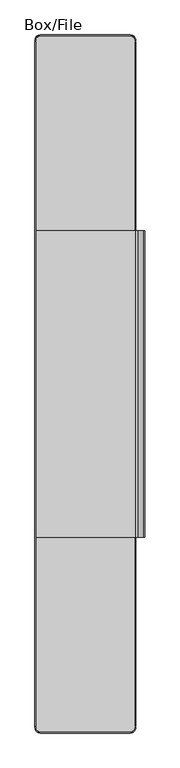
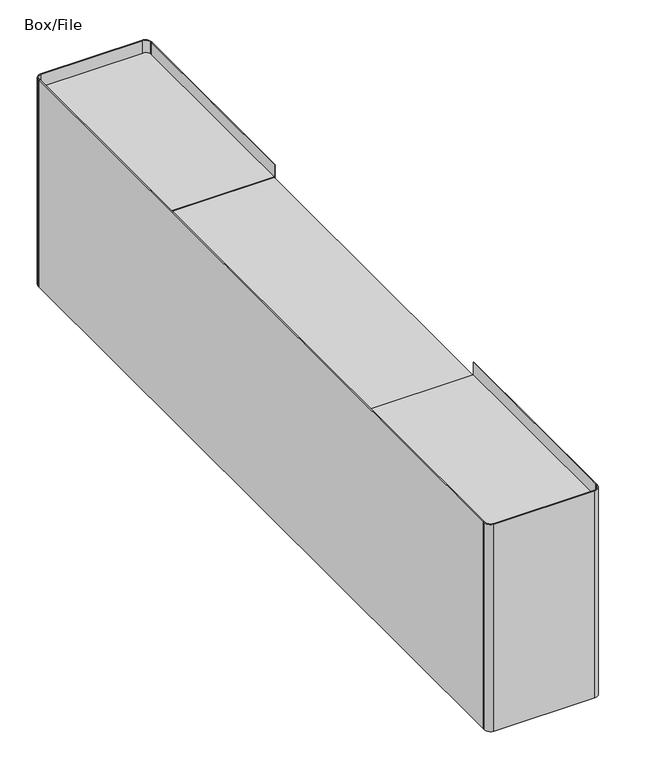
"""IFC4 building model written with IfcOpenShell, lengths in millimetres: furniture geometry, Box/File."""

from ifc_helpers import new_model, si_unit, point, frame, frame_2d, origin, place, context, project, spatial, polyline, circle_curve, trimmed, segment, composite_curve, outline, extrude, source, transform, mapped, element, save


def box_file_e9478ac1(model_context):
    return source(origin(), model_context, "Body", "SweptSolid", [
        extrude(outline(polyline([(-118.26875, 460.375), (-116.68125, 460.375), (-116.68125, -1146.175), (-118.26875, -1146.175), (-118.26875, 460.375)])), frame((0.0, 0.0, 284.48), z_axis=(0.0, 0.0, 1.0), x_axis=(1.0, 0.0, 0.0)), (0.0, 0.0, 1.0), 456.9089567),
        extrude(outline(polyline([(118.26875, 460.375), (118.26875, 16.627149), (116.68125, 16.627149), (116.68125, 460.375), (118.26875, 460.375)])), frame((0.0, 0.0, 284.48), z_axis=(0.0, 0.0, 1.0), x_axis=(1.0, 0.0, 0.0)), (0.0, 0.0, 1.0), 456.9089567),
        extrude(outline(polyline([(118.26875, -1146.175), (116.68125, -1146.175), (116.68125, -702.427149), (118.26875, -702.427149), (118.26875, -1146.175)])), frame((0.0, 0.0, 284.48), z_axis=(0.0, 0.0, 1.0), x_axis=(1.0, 0.0, 0.0)), (0.0, 0.0, 1.0), 456.9089567),
        extrude(outline(polyline([(116.68125, -703.7869879), (116.68125, -706.3923526), (-116.68125, -706.3923526), (-116.68125, -703.7869879), (116.68125, -703.7869879)])), frame((0.0, 0.0, 300.4566082), z_axis=(0.0, 0.0, 1.0), x_axis=(1.0, 0.0, 0.0)), (0.0, 0.0, 1.0), 412.4290663),
        extrude(outline(polyline([(116.68125, 17.9869879), (-116.68125, 17.9869879), (-116.68125, 20.5923526), (116.68125, 20.5923526), (116.68125, 17.9869879)])), frame((0.0, 0.0, 300.4566082), z_axis=(0.0, 0.0, 1.0), x_axis=(1.0, 0.0, 0.0)), (0.0, 0.0, 1.0), 412.4290663),
        extrude(outline(polyline([(507.6233745, 117.0500367), (690.1339457, -97.7785944), (688.4445872, -99.4679529), (505.1644765, 116.2664839), (505.840422, 123.9925765), (524.0533074, 139.4655797), (525.5950603, 137.6508209), (508.1273867, 122.8109224), (507.6233745, 117.0500367)])), frame((0.0, -702.427149, 0.0), z_axis=(0.0, 1.0, 0.0), x_axis=(0.0, 0.0, 1.0)), (0.0, 0.0, 1.0), 719.0542981),
        extrude(outline(composite_curve([segment(polyline([(105.56875, -1160.4625), (-105.56875, -1160.4625)]), True, "CONTINUOUS"), segment(trimmed(circle_curve(frame_2d((-105.56875, -1149.35)), 11.1125), [point((-105.56875, -1160.4625))], [point((-116.68125, -1149.35))], False, "CARTESIAN"), True, "CONTINUOUS"), segment(polyline([(-116.68125, -1149.35), (-116.68125, 461.9625)]), True, "CONTINUOUS"), segment(trimmed(circle_curve(frame_2d((-105.56875, 461.9625)), 11.1125), [point((-116.68125, 461.9625))], [point((-105.56875, 473.075))], False, "CARTESIAN"), True, "CONTINUOUS"), segment(polyline([(-105.56875, 473.075), (105.56875, 473.075)]), True, "CONTINUOUS"), segment(trimmed(circle_curve(frame_2d((105.56875, 461.9625)), 11.1125), [point((105.56875, 473.075))], [point((116.68125, 461.9625))], False, "CARTESIAN"), True, "CONTINUOUS"), segment(polyline([(116.68125, 461.9625), (116.68125, -1149.35)]), True, "CONTINUOUS"), segment(trimmed(circle_curve(frame_2d((105.56875, -1149.35)), 11.1125), [point((116.68125, -1149.35))], [point((105.56875, -1160.4625))], False, "CARTESIAN"), True, "CONTINUOUS")], self_intersect=False)), frame((0.0, 0.0, 696.7981828), z_axis=(0.0, 0.0, 1.0), x_axis=(1.0, 0.0, 0.0)), (0.0, 0.0, 1.0), 16.0874916),
        extrude(outline(composite_curve([segment(polyline([(-116.68125, 17.9869879), (-116.68125, 461.9625)]), True, "CONTINUOUS"), segment(trimmed(circle_curve(frame_2d((-105.56875, 461.9625)), 11.1125), [point((-116.68125, 461.9625))], [point((-105.56875, 473.075))], False, "CARTESIAN"), True, "CONTINUOUS"), segment(polyline([(-105.56875, 473.075), (105.56875, 473.075)]), True, "CONTINUOUS"), segment(trimmed(circle_curve(frame_2d((105.56875, 461.9625)), 11.1125), [point((105.56875, 473.075))], [point((116.68125, 461.9625))], False, "CARTESIAN"), True, "CONTINUOUS"), segment(polyline([(116.68125, 461.9625), (116.68125, 17.9869879), (-116.68125, 17.9869879)]), True, "CONTINUOUS")], self_intersect=False)), frame((0.0, 0.0, 712.8856744), z_axis=(0.0, 0.0, 1.0), x_axis=(1.0, 0.0, 0.0)), (0.0, 0.0, 1.0), 1.8906636),
        extrude(outline(composite_curve([segment(polyline([(-116.68125, -703.7869879), (116.68125, -703.7869879), (116.68125, -1147.7625)]), True, "CONTINUOUS"), segment(trimmed(circle_curve(frame_2d((105.56875, -1147.7625)), 11.1125), [point((116.68125, -1147.7625))], [point((105.56875, -1158.875))], False, "CARTESIAN"), True, "CONTINUOUS"), segment(polyline([(105.56875, -1158.875), (-105.56875, -1158.875)]), True, "CONTINUOUS"), segment(trimmed(circle_curve(frame_2d((-105.56875, -1147.7625)), 11.1125), [point((-105.56875, -1158.875))], [point((-116.68125, -1147.7625))], False, "CARTESIAN"), True, "CONTINUOUS"), segment(polyline([(-116.68125, -1147.7625), (-116.68125, -703.7869879)]), True, "CONTINUOUS")], self_intersect=False)), frame((0.0, 0.0, 712.8856744), z_axis=(0.0, 0.0, 1.0), x_axis=(1.0, 0.0, 0.0)), (0.0, 0.0, 1.0), 1.8906636),
        extrude(outline(composite_curve([segment(polyline([(105.56875, -1160.4625), (-105.56875, -1160.4625)]), True, "CONTINUOUS"), segment(trimmed(circle_curve(frame_2d((-105.56875, -1149.35)), 11.1125), [point((-105.56875, -1160.4625))], [point((-116.68125, -1149.35))], False, "CARTESIAN"), True, "CONTINUOUS"), segment(polyline([(-116.68125, -1149.35), (-116.68125, 461.9625)]), True, "CONTINUOUS"), segment(trimmed(circle_curve(frame_2d((-105.56875, 461.9625)), 11.1125), [point((-116.68125, 461.9625))], [point((-105.56875, 473.075))], False, "CARTESIAN"), True, "CONTINUOUS"), segment(polyline([(-105.56875, 473.075), (105.56875, 473.075)]), True, "CONTINUOUS"), segment(trimmed(circle_curve(frame_2d((105.56875, 461.9625)), 11.1125), [point((105.56875, 473.075))], [point((116.68125, 461.9625))], False, "CARTESIAN"), True, "CONTINUOUS"), segment(polyline([(116.68125, 461.9625), (116.68125, -1149.35)]), True, "CONTINUOUS"), segment(trimmed(circle_curve(frame_2d((105.56875, -1149.35)), 11.1125), [point((116.68125, -1149.35))], [point((105.56875, -1160.4625))], False, "CARTESIAN"), True, "CONTINUOUS")], self_intersect=False)), frame((0.0, 0.0, 493.5212933), z_axis=(0.0, 0.0, 1.0), x_axis=(1.0, 0.0, 0.0)), (0.0, 0.0, 1.0), 12.7756344),
        extrude(outline(composite_curve([segment(polyline([(105.56875, -1162.05), (-105.56875, -1162.05)]), True, "CONTINUOUS"), segment(trimmed(circle_curve(frame_2d((-105.56875, -1149.35)), 12.7), [point((-105.56875, -1162.05))], [point((-118.26875, -1149.35))], False, "CARTESIAN"), True, "CONTINUOUS"), segment(polyline([(-118.26875, -1149.35), (-118.26875, -1147.7625), (-116.68125, -1147.7625), (-116.68125, -1149.35)]), True, "CONTINUOUS"), segment(trimmed(circle_curve(frame_2d((-105.56875, -1149.35)), 11.1125), [point((-116.68125, -1149.35))], [point((-105.56875, -1160.4625))], True, "CARTESIAN"), True, "CONTINUOUS"), segment(polyline([(-105.56875, -1160.4625), (105.56875, -1160.4625)]), True, "CONTINUOUS"), segment(trimmed(circle_curve(frame_2d((105.56875, -1149.35)), 11.1125), [point((105.56875, -1160.4625))], [point((116.68125, -1149.35))], True, "CARTESIAN"), True, "CONTINUOUS"), segment(polyline([(116.68125, -1149.35), (116.68125, -1148.0782772), (118.26875, -1148.0782772), (118.26875, -1149.35)]), True, "CONTINUOUS"), segment(trimmed(circle_curve(frame_2d((105.56875, -1149.35)), 12.7), [point((118.26875, -1149.35))], [point((105.56875, -1162.05))], False, "CARTESIAN"), True, "CONTINUOUS")], self_intersect=False)), frame((0.0, 0.0, 284.48), z_axis=(0.0, 0.0, 1.0), x_axis=(1.0, 0.0, 0.0)), (0.0, 0.0, 1.0), 456.9089567),
        extrude(outline(composite_curve([segment(trimmed(circle_curve(frame_2d((105.56875, 463.55)), 12.7), [point((105.56875, 476.25))], [point((118.26875, 463.55))], False, "CARTESIAN"), True, "CONTINUOUS"), segment(polyline([(118.26875, 463.55), (118.26875, 462.2782772), (116.68125, 462.2782772), (116.68125, 463.55)]), True, "CONTINUOUS"), segment(trimmed(circle_curve(frame_2d((105.56875, 463.55)), 11.1125), [point((116.68125, 463.55))], [point((105.56875, 474.6625))], True, "CARTESIAN"), True, "CONTINUOUS"), segment(polyline([(105.56875, 474.6625), (-105.56875, 474.6625)]), True, "CONTINUOUS"), segment(trimmed(circle_curve(frame_2d((-105.56875, 463.55)), 11.1125), [point((-105.56875, 474.6625))], [point((-116.68125, 463.55))], True, "CARTESIAN"), True, "CONTINUOUS"), segment(polyline([(-116.68125, 463.55), (-116.68125, 461.9625), (-118.26875, 461.9625), (-118.26875, 463.55)]), True, "CONTINUOUS"), segment(trimmed(circle_curve(frame_2d((-105.56875, 463.55)), 12.7), [point((-118.26875, 463.55))], [point((-105.56875, 476.25))], False, "CARTESIAN"), True, "CONTINUOUS"), segment(polyline([(-105.56875, 476.25), (105.56875, 476.25)]), True, "CONTINUOUS")], self_intersect=False)), frame((0.0, 0.0, 284.48), z_axis=(0.0, 0.0, 1.0), x_axis=(1.0, 0.0, 0.0)), (0.0, 0.0, 1.0), 456.9089567),
        extrude(outline(composite_curve([segment(polyline([(105.56875, -1160.4625), (-105.56875, -1160.4625)]), True, "CONTINUOUS"), segment(trimmed(circle_curve(frame_2d((-105.56875, -1149.35)), 11.1125), [point((-105.56875, -1160.4625))], [point((-116.68125, -1149.35))], False, "CARTESIAN"), True, "CONTINUOUS"), segment(polyline([(-116.68125, -1149.35), (-116.68125, 461.9625)]), True, "CONTINUOUS"), segment(trimmed(circle_curve(frame_2d((-105.56875, 461.9625)), 11.1125), [point((-116.68125, 461.9625))], [point((-105.56875, 473.075))], False, "CARTESIAN"), True, "CONTINUOUS"), segment(polyline([(-105.56875, 473.075), (105.56875, 473.075)]), True, "CONTINUOUS"), segment(trimmed(circle_curve(frame_2d((105.56875, 461.9625)), 11.1125), [point((105.56875, 473.075))], [point((116.68125, 461.9625))], False, "CARTESIAN"), True, "CONTINUOUS"), segment(polyline([(116.68125, 461.9625), (116.68125, -1149.35)]), True, "CONTINUOUS"), segment(trimmed(circle_curve(frame_2d((105.56875, -1149.35)), 11.1125), [point((116.68125, -1149.35))], [point((105.56875, -1160.4625))], False, "CARTESIAN"), True, "CONTINUOUS")], self_intersect=False)), frame((0.0, 0.0, 284.48), z_axis=(0.0, 0.0, 1.0), x_axis=(1.0, 0.0, 0.0)), (0.0, 0.0, 1.0), 15.9766082),
    ])


if __name__ == "__main__":
    model = new_model("IFC4")
    model_context = context("Model", 3, world=origin())
    ifc_project = project(units=[si_unit("LENGTHUNIT", "METRE", prefix="MILLI")], contexts=[model_context])
    site = spatial("IfcSite", under=ifc_project)
    building = spatial("IfcBuilding", under=site)
    placement = place(None, origin())
    box_file_shape = box_file_e9478ac1(model_context)
    element("IfcFurniture", 1, ObjectType="Box/File", at=placement, inside=building, context=model_context, shape_type="MappedRepresentation", body=[
        mapped(box_file_shape, transform((0.0, 0.0, 0.0), x_axis=(1.0, 0.0, 0.0), y_axis=(0.0, 1.0, 0.0), z_axis=(0.0, 0.0, 1.0))),
    ])
    save(model, "model.ifc")
